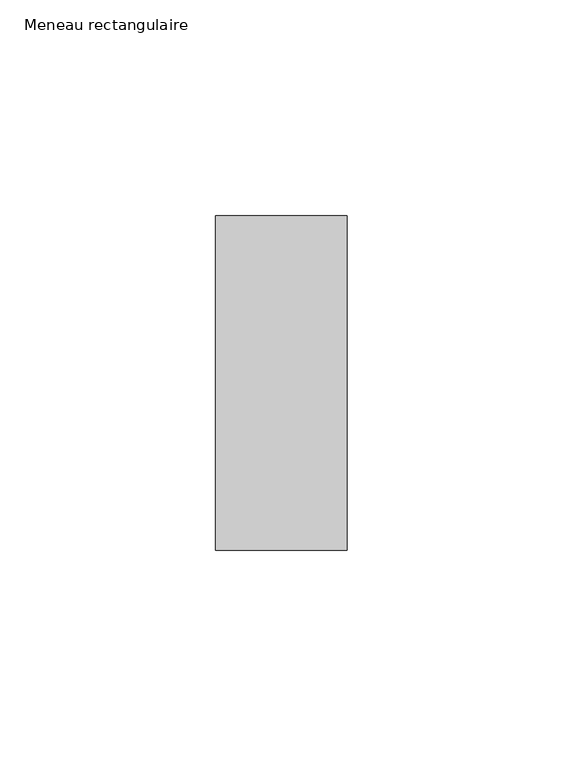
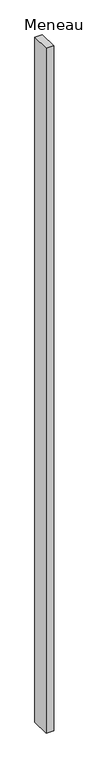
"""IFC4 building model written with IfcOpenShell, lengths in millimetres: member geometry, Meneau rectangulaire."""

from ifc_helpers import new_model, si_unit, frame, origin, place, context, project, spatial, polyline, outline, extrude, source, transform, mapped, element, save


def meneau_rectangulaire_c241275b(model_context):
    return source(origin(), model_context, "Body", "SweptSolid", [
        extrude(outline(polyline([(-15.25, 38.75), (15.25, 38.75), (15.25, -38.75), (-15.25, -38.75), (-15.25, 38.75)])), frame((0.0, 0.0, -2915.0), z_axis=(0.0, 0.0, 1.0), x_axis=(1.0, 0.0, 0.0)), (0.0, 0.0, 1.0), 2915.0),
    ])


if __name__ == "__main__":
    model = new_model("IFC4")
    model_context = context("Model", 3, world=origin())
    ifc_project = project(units=[si_unit("LENGTHUNIT", "METRE", prefix="MILLI")], contexts=[model_context])
    site = spatial("IfcSite", under=ifc_project)
    building = spatial("IfcBuilding", under=site)
    placement = place(None, origin())
    meneau_rectangulaire_shape = meneau_rectangulaire_c241275b(model_context)
    element("IfcMember", 1, ObjectType="Meneau rectangulaire", at=placement, inside=building, context=model_context, shape_type="MappedRepresentation", body=[
        mapped(meneau_rectangulaire_shape, transform((0.0, 0.0, 0.0), x_axis=(1.0, 0.0, 0.0), y_axis=(0.0, 1.0, 0.0), z_axis=(0.0, 0.0, 1.0))),
    ])
    save(model, "model.ifc")
